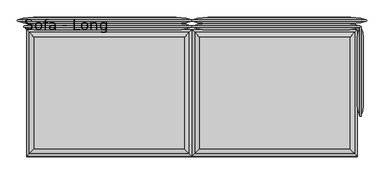
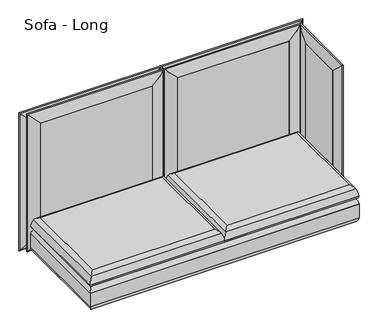
"""IFC4 building model written with IfcOpenShell, lengths in millimetres: furniture geometry, Sofa - Long."""

from ifc_helpers import new_model, si_unit, frame, origin, place, context, project, spatial, polyline, ellipse_curve, outline, extrude, source, transform, mapped, element, save
from ifc_brep_helpers import plane_surface, cylinder_surface, advanced_brep


def sofa_long_e9d8bf94(model_context):
    return source(origin(), model_context, "Body", "SolidModel", [
        advanced_brep(
        [(1016.0, -403.225, 329.9006118), (1016.0, 352.425, 329.9006118), (-1016.0, 352.425, 329.9006118), (-1016.0, -403.225, 329.9006118), (1016.0, 352.425, 142.5756118), (1016.0, -403.225, 142.5756118), (-1016.0, -403.225, 142.5756118), (-1016.0, 352.425, 142.5756118), (1035.0361528, 371.4611528, 291.910987), (1035.0361528, -422.2611528, 291.910987), (1035.05, 371.475, 181.4038342), (1035.05, 371.475, 291.0723894), (1035.05, -422.275, 291.0723894), (1035.05, -422.275, 181.4038342), (1035.0361528, 371.4611528, 180.5652366), (1035.0361528, -422.2611528, 180.5652366), (-1035.0361528, -422.2611528, 291.910987), (-1035.05, -422.275, 291.0723894), (-1035.05, -422.275, 181.4038342), (-1035.0361528, -422.2611528, 180.5652366), (-1035.0361528, 371.4611528, 291.910987), (-1035.05, 371.475, 291.0723894), (-1035.05, 371.475, 181.4038342), (-1035.0361528, 371.4611528, 180.5652366)],
        [
            (0, 1),
            (1, 2),
            (2, 3),
            (3, 0),
            (4, 5),
            (5, 6),
            (6, 7),
            (7, 4),
            (8, 1, ellipse_curve(frame((984.2638472, 320.6888472, 290.2337918), z_axis=(0.7071067811865475, -0.7071067811865475, 0.0), x_axis=(0.7071067811865474, 0.7071067811865476, 0.0)), 71.842049, 50.8)),
            (0, 9, ellipse_curve(frame((984.2638472, -371.4888472, 290.2337918), z_axis=(0.7071067811865475, 0.7071067811865475, 0.0), x_axis=(-0.7071067811865474, 0.7071067811865476, 0.0)), 71.842049, 50.8)),
            (9, 8),
            (10, 11),
            (11, 12),
            (12, 13),
            (13, 10),
            (4, 14, ellipse_curve(frame((984.2638472, 320.6888472, 182.2424317), z_axis=(0.7071067811865475, -0.7071067811865475, 0.0), x_axis=(0.7071067811865474, 0.7071067811865476, 0.0)), 71.842049, 50.8)),
            (14, 15),
            (15, 5, ellipse_curve(frame((984.2638472, -371.4888472, 182.2424317), z_axis=(0.7071067811865475, 0.7071067811865475, 0.0), x_axis=(-0.7071067811865474, 0.7071067811865476, 0.0)), 71.842049, 50.8)),
            (3, 16, ellipse_curve(frame((-984.2638472, -371.4888472, 290.2337918), z_axis=(0.7071067811865475, -0.7071067811865475, 0.0), x_axis=(0.7071067811865476, 0.7071067811865474, 0.0)), 71.842049, 50.8)),
            (16, 9),
            (12, 17),
            (17, 18),
            (18, 13),
            (15, 19),
            (19, 6, ellipse_curve(frame((-984.2638472, -371.4888472, 182.2424317), z_axis=(0.7071067811865475, -0.7071067811865475, 0.0), x_axis=(0.7071067811865476, 0.7071067811865474, 0.0)), 71.842049, 50.8)),
            (2, 20, ellipse_curve(frame((-984.2638472, 320.6888472, 290.2337918), z_axis=(-0.7071067811865475, -0.7071067811865475, 0.0), x_axis=(0.7071067811865474, -0.7071067811865476, 0.0)), 71.842049, 50.8)),
            (20, 16),
            (17, 21),
            (21, 22),
            (22, 18),
            (19, 23),
            (23, 7, ellipse_curve(frame((-984.2638472, 320.6888472, 182.2424317), z_axis=(-0.7071067811865475, -0.7071067811865475, 0.0), x_axis=(0.7071067811865474, -0.7071067811865476, 0.0)), 71.842049, 50.8)),
            (8, 20),
            (10, 22),
            (21, 11),
            (23, 14),
            (9, 12, ellipse_curve(frame((1009.65, -396.875, 291.0723894), z_axis=(0.7071067811865475, 0.7071067811865475, 0.0), x_axis=(-0.7071067811865474, 0.7071067811865476, 0.0)), 35.9210245, 25.4)),
            (11, 8, ellipse_curve(frame((1009.65, 346.075, 291.0723894), z_axis=(0.7071067811865475, -0.7071067811865475, 0.0), x_axis=(0.7071067811865474, 0.7071067811865476, 0.0)), 35.9210245, 25.4)),
            (13, 15, ellipse_curve(frame((1009.65, -396.875, 181.4038342), z_axis=(0.7071067811865475, 0.7071067811865475, 0.0), x_axis=(-0.7071067811865474, 0.7071067811865476, 0.0)), 35.9210245, 25.4)),
            (14, 10, ellipse_curve(frame((1009.65, 346.075, 181.4038342), z_axis=(0.7071067811865475, -0.7071067811865475, 0.0), x_axis=(0.7071067811865474, 0.7071067811865476, 0.0)), 35.9210245, 25.4)),
            (16, 17, ellipse_curve(frame((-1009.65, -396.875, 291.0723894), z_axis=(0.7071067811865475, -0.7071067811865475, 0.0), x_axis=(0.7071067811865476, 0.7071067811865474, 0.0)), 35.9210245, 25.4)),
            (18, 19, ellipse_curve(frame((-1009.65, -396.875, 181.4038342), z_axis=(0.7071067811865475, -0.7071067811865475, 0.0), x_axis=(0.7071067811865476, 0.7071067811865474, 0.0)), 35.9210245, 25.4)),
            (20, 21, ellipse_curve(frame((-1009.65, 346.075, 291.0723894), z_axis=(-0.7071067811865475, -0.7071067811865475, 0.0), x_axis=(0.7071067811865474, -0.7071067811865476, 0.0)), 35.9210245, 25.4)),
            (22, 23, ellipse_curve(frame((-1009.65, 346.075, 181.4038342), z_axis=(-0.7071067811865475, -0.7071067811865475, 0.0), x_axis=(0.7071067811865474, -0.7071067811865476, 0.0)), 35.9210245, 25.4)),
        ],
        [
            plane_surface(frame((-1016.0, 352.425, 329.9006118), z_axis=(0.0, 0.0, 1.0), x_axis=(-1.0, 0.0, 0.0))),
            plane_surface(frame((-1016.0, 352.425, 142.5756118), z_axis=(0.0, 0.0, -1.0), x_axis=(1.0, 0.0, 0.0))),
            cylinder_surface(frame((984.2638472, 371.475, 290.2337918), z_axis=(0.0, 1.0, 0.0), x_axis=(1.0, 0.0, 0.0)), 50.8),
            plane_surface(frame((1035.05, 371.475, 291.0723894), z_axis=(1.0, 0.0, 0.0), x_axis=(0.0, -1.0, 0.0))),
            cylinder_surface(frame((984.2638472, 371.475, 182.2424317), z_axis=(0.0, 1.0, 0.0), x_axis=(1.0, 0.0, 0.0)), 50.8),
            cylinder_surface(frame((1035.05, -371.4888472, 290.2337918), z_axis=(1.0, 0.0, 0.0), x_axis=(0.0, -1.0, 0.0)), 50.8),
            plane_surface(frame((1035.05, -422.275, 291.0723894), z_axis=(0.0, -1.0, 0.0), x_axis=(-1.0, 0.0, 0.0))),
            cylinder_surface(frame((1035.05, -371.4888472, 182.2424317), z_axis=(1.0, 0.0, 0.0), x_axis=(0.0, -1.0, 0.0)), 50.8),
            cylinder_surface(frame((-984.2638472, -422.275, 290.2337918), z_axis=(0.0, -1.0, 0.0), x_axis=(-1.0, 0.0, 0.0)), 50.8),
            plane_surface(frame((-1035.05, -422.275, 291.0723894), z_axis=(-1.0, 0.0, 0.0), x_axis=(0.0, 1.0, 0.0))),
            cylinder_surface(frame((-984.2638472, -422.275, 182.2424317), z_axis=(0.0, -1.0, 0.0), x_axis=(-1.0, 0.0, 0.0)), 50.8),
            cylinder_surface(frame((-1035.05, 320.6888472, 290.2337918), z_axis=(-1.0, 0.0, 0.0), x_axis=(0.0, 1.0, 0.0)), 50.8),
            plane_surface(frame((-1035.05, 371.475, 291.0723894), z_axis=(0.0, 1.0, 0.0), x_axis=(1.0, 0.0, 0.0))),
            cylinder_surface(frame((-1035.05, 320.6888472, 182.2424317), z_axis=(-1.0, 0.0, 0.0), x_axis=(0.0, 1.0, 0.0)), 50.8),
            cylinder_surface(frame((1009.65, 371.475, 291.0723894), z_axis=(0.0, 1.0, 0.0), x_axis=(1.0, 0.0, 0.0)), 25.4),
            cylinder_surface(frame((1009.65, 371.475, 181.4038342), z_axis=(0.0, 1.0, 0.0), x_axis=(1.0, 0.0, 0.0)), 25.4),
            cylinder_surface(frame((1035.05, -396.875, 291.0723894), z_axis=(1.0, 0.0, 0.0), x_axis=(0.0, -1.0, 0.0)), 25.4),
            cylinder_surface(frame((1035.05, -396.875, 181.4038342), z_axis=(1.0, 0.0, 0.0), x_axis=(0.0, -1.0, 0.0)), 25.4),
            cylinder_surface(frame((-1009.65, -422.275, 291.0723894), z_axis=(0.0, -1.0, 0.0), x_axis=(-1.0, 0.0, 0.0)), 25.4),
            cylinder_surface(frame((-1009.65, -422.275, 181.4038342), z_axis=(0.0, -1.0, 0.0), x_axis=(-1.0, 0.0, 0.0)), 25.4),
            cylinder_surface(frame((-1035.05, 346.075, 291.0723894), z_axis=(-1.0, 0.0, 0.0), x_axis=(0.0, 1.0, 0.0)), 25.4),
            cylinder_surface(frame((-1035.05, 346.075, 181.4038342), z_axis=(-1.0, 0.0, 0.0), x_axis=(0.0, 1.0, 0.0)), 25.4),
        ],
        [
            (0, [[1, 2, 3, 4]]),
            (1, [[5, 6, 7, 8]]),
            (2, [[9, -1, 10, 11]]),
            (3, [[12, 13, 14, 15]]),
            (4, [[16, 17, 18, -5]]),
            (5, [[-10, -4, 19, 20]]),
            (6, [[-14, 21, 22, 23]]),
            (7, [[-18, 24, 25, -6]]),
            (8, [[-19, -3, 26, 27]]),
            (9, [[-22, 28, 29, 30]]),
            (10, [[-25, 31, 32, -7]]),
            (11, [[-9, 33, -26, -2]]),
            (12, [[-12, 34, -29, 35]]),
            (13, [[-16, -8, -32, 36]]),
            (14, [[-11, 37, -13, 38]]),
            (15, [[-15, 39, -17, 40]]),
            (16, [[-20, 41, -21, -37]]),
            (17, [[-23, 42, -24, -39]]),
            (18, [[-27, 43, -28, -41]]),
            (19, [[-30, 44, -31, -42]]),
            (20, [[-33, -38, -35, -43]]),
            (21, [[-34, -40, -36, -44]]),
        ],
    ),
        advanced_brep(
        [(1008.5381705, -395.7631705, 330.2), (26.5118295, -395.7631705, 330.2), (26.5118295, 344.9631705, 330.2), (1008.5381705, 344.9631705, 330.2), (1033.9361903, 370.3611903, 355.9171647), (1033.9361903, -421.1611903, 355.9171647), (1.1138097, -421.1611903, 355.9171647), (1.1138097, 370.3611903, 355.9171647), (987.425, -374.65, 434.975), (987.425, 323.85, 434.975), (47.625, 323.85, 434.975), (47.625, -374.65, 434.975), (1018.6816677, 355.1066677, 412.0276231), (1018.6816677, -405.9066677, 412.0276231), (16.3683323, -405.9066677, 412.0276231), (16.3683323, 355.1066677, 412.0276231)],
        [
            (0, 1),
            (1, 2),
            (2, 3),
            (3, 0),
            (3, 4, ellipse_curve(frame((1008.5381705, 344.9631705, 355.6), z_axis=(0.7071067811865478, -0.7071067811865471, 0.0), x_axis=(0.707106781186547, 0.707106781186548, 0.0)), 35.9210245, 25.4)),
            (4, 5),
            (5, 0, ellipse_curve(frame((1008.5381705, -395.7631705, 355.6), z_axis=(0.7071067811865471, 0.7071067811865478, 0.0), x_axis=(-0.7071067811865476, 0.7071067811865474, 0.0)), 35.9210245, 25.4)),
            (5, 6),
            (6, 1, ellipse_curve(frame((26.5118295, -395.7631705, 355.6), z_axis=(0.7071067811865478, -0.7071067811865471, 0.0), x_axis=(0.7071067811865474, 0.7071067811865476, 0.0)), 35.9210245, 25.4)),
            (6, 7),
            (7, 2, ellipse_curve(frame((26.5118295, 344.9631705, 355.6), z_axis=(-0.7071067811865471, -0.7071067811865478, 0.0), x_axis=(0.7071067811865476, -0.7071067811865474, 0.0)), 35.9210245, 25.4)),
            (7, 4),
            (8, 9),
            (9, 10),
            (10, 11),
            (11, 8),
            (12, 9, ellipse_curve(frame((977.2981381, 313.7231381, 388.4201083), z_axis=(0.7071067811865478, -0.7071067811865471, 0.0), x_axis=(0.707106781186547, 0.707106781186548, 0.0)), 67.3782053, 47.6435859)),
            (8, 13, ellipse_curve(frame((977.2981381, -364.5231381, 388.4201083), z_axis=(0.7071067811865471, 0.7071067811865478, 0.0), x_axis=(-0.7071067811865476, 0.7071067811865474, 0.0)), 67.3782053, 47.6435859)),
            (13, 12),
            (4, 12, ellipse_curve(frame((917.7782966, 254.2032966, 354.4666114), z_axis=(0.7071067811865478, -0.7071067811865471, 0.0), x_axis=(0.707106781186547, 0.707106781186548, 0.0)), 164.2848767, 116.1669504)),
            (13, 5, ellipse_curve(frame((917.7782966, -305.0032966, 354.4666114), z_axis=(0.7071067811865471, 0.7071067811865478, 0.0), x_axis=(-0.7071067811865476, 0.7071067811865474, 0.0)), 164.2848767, 116.1669504)),
            (11, 14, ellipse_curve(frame((57.7518619, -364.5231381, 388.4201083), z_axis=(0.7071067811865478, -0.7071067811865471, 0.0), x_axis=(0.7071067811865474, 0.7071067811865476, 0.0)), 67.3782053, 47.6435859)),
            (14, 13),
            (14, 6, ellipse_curve(frame((117.2717034, -305.0032966, 354.4666114), z_axis=(0.7071067811865478, -0.7071067811865471, 0.0), x_axis=(0.7071067811865474, 0.7071067811865476, 0.0)), 164.2848767, 116.1669504)),
            (10, 15, ellipse_curve(frame((57.7518619, 313.7231381, 388.4201083), z_axis=(-0.7071067811865471, -0.7071067811865478, 0.0), x_axis=(0.7071067811865476, -0.7071067811865474, 0.0)), 67.3782053, 47.6435859)),
            (15, 14),
            (15, 7, ellipse_curve(frame((117.2717034, 254.2032966, 354.4666114), z_axis=(-0.7071067811865471, -0.7071067811865478, 0.0), x_axis=(0.7071067811865476, -0.7071067811865474, 0.0)), 164.2848767, 116.1669504)),
            (12, 15),
        ],
        [
            plane_surface(frame((26.5118295, 344.9631705, 330.2), z_axis=(0.0, 0.0, -1.0), x_axis=(1.0, 0.0, 0.0))),
            cylinder_surface(frame((1008.5381705, 371.475, 355.6), z_axis=(0.0, 1.0000000000000002, 0.0), x_axis=(1.0000000000000002, 0.0, 0.0)), 25.4),
            cylinder_surface(frame((1035.05, -395.7631705, 355.6), z_axis=(1.0000000000000002, 0.0, 0.0), x_axis=(0.0, -1.0000000000000002, 0.0)), 25.4),
            cylinder_surface(frame((26.5118295, -422.275, 355.6), z_axis=(0.0, -1.0000000000000002, 0.0), x_axis=(-1.0000000000000002, 0.0, 0.0)), 25.4),
            cylinder_surface(frame((0.0, 344.9631705, 355.6), z_axis=(-1.0000000000000002, 0.0, 0.0), x_axis=(0.0, 1.0000000000000002, 0.0)), 25.4),
            plane_surface(frame((47.625, 323.85, 434.975), z_axis=(0.0, 0.0, 1.0), x_axis=(-1.0, 0.0, 0.0))),
            cylinder_surface(frame((977.2981381, 371.475, 388.4201083), z_axis=(0.0, 1.0000000000000002, 0.0), x_axis=(1.0000000000000002, 0.0, 0.0)), 47.6435859),
            cylinder_surface(frame((917.7782966, 371.475, 354.4666114), z_axis=(0.0, 1.0000000000000002, 0.0), x_axis=(1.0000000000000002, 0.0, 0.0)), 116.1669504),
            cylinder_surface(frame((1035.05, -364.5231381, 388.4201083), z_axis=(1.0000000000000002, 0.0, 0.0), x_axis=(0.0, -1.0000000000000002, 0.0)), 47.6435859),
            cylinder_surface(frame((1035.05, -305.0032966, 354.4666114), z_axis=(1.0000000000000002, 0.0, 0.0), x_axis=(0.0, -1.0000000000000002, 0.0)), 116.1669504),
            cylinder_surface(frame((57.7518619, -422.275, 388.4201083), z_axis=(0.0, -1.0000000000000002, 0.0), x_axis=(-1.0000000000000002, 0.0, 0.0)), 47.6435859),
            cylinder_surface(frame((117.2717034, -422.275, 354.4666114), z_axis=(0.0, -1.0000000000000002, 0.0), x_axis=(-1.0000000000000002, 0.0, 0.0)), 116.1669504),
            cylinder_surface(frame((0.0, 313.7231381, 388.4201083), z_axis=(-1.0000000000000002, 0.0, 0.0), x_axis=(0.0, 1.0000000000000002, 0.0)), 47.6435859),
            cylinder_surface(frame((0.0, 254.2032966, 354.4666114), z_axis=(-1.0000000000000002, 0.0, 0.0), x_axis=(0.0, 1.0000000000000002, 0.0)), 116.1669504),
        ],
        [
            (0, [[1, 2, 3, 4]]),
            (1, [[-4, 5, 6, 7]]),
            (2, [[-1, -7, 8, 9]]),
            (3, [[-2, -9, 10, 11]]),
            (4, [[-3, -11, 12, -5]]),
            (5, [[13, 14, 15, 16]]),
            (6, [[17, -13, 18, 19]]),
            (7, [[-6, 20, -19, 21]]),
            (8, [[-18, -16, 22, 23]]),
            (9, [[-8, -21, -23, 24]]),
            (10, [[-22, -15, 25, 26]]),
            (11, [[-10, -24, -26, 27]]),
            (12, [[-17, 28, -25, -14]]),
            (13, [[-12, -27, -28, -20]]),
        ],
    ),
        advanced_brep(
        [(-26.5118295, -395.7631705, 330.2), (-1008.5381705, -395.7631705, 330.2), (-1008.5381705, 344.9631705, 330.2), (-26.5118295, 344.9631705, 330.2), (-1.1138097, 370.3611903, 355.9171647), (-1.1138097, -421.1611903, 355.9171647), (-1033.9361903, -421.1611903, 355.9171647), (-1033.9361903, 370.3611903, 355.9171647), (-47.625, -374.65, 434.975), (-47.625, 323.85, 434.975), (-987.425, 323.85, 434.975), (-987.425, -374.65, 434.975), (-16.3683323, 355.1066677, 412.0276231), (-16.3683323, -405.9066677, 412.0276231), (-1018.6816677, -405.9066677, 412.0276231), (-1018.6816677, 355.1066677, 412.0276231)],
        [
            (0, 1),
            (1, 2),
            (2, 3),
            (3, 0),
            (3, 4, ellipse_curve(frame((-26.5118295, 344.9631705, 355.6), z_axis=(0.7071067811865478, -0.7071067811865471, 0.0), x_axis=(0.707106781186547, 0.707106781186548, 0.0)), 35.9210245, 25.4)),
            (4, 5),
            (5, 0, ellipse_curve(frame((-26.5118295, -395.7631705, 355.6), z_axis=(0.7071067811865471, 0.7071067811865478, 0.0), x_axis=(-0.7071067811865476, 0.7071067811865474, 0.0)), 35.9210245, 25.4)),
            (5, 6),
            (6, 1, ellipse_curve(frame((-1008.5381705, -395.7631705, 355.6), z_axis=(0.7071067811865478, -0.7071067811865471, 0.0), x_axis=(0.7071067811865474, 0.7071067811865476, 0.0)), 35.9210245, 25.4)),
            (6, 7),
            (7, 2, ellipse_curve(frame((-1008.5381705, 344.9631705, 355.6), z_axis=(-0.7071067811865471, -0.7071067811865478, 0.0), x_axis=(0.7071067811865476, -0.7071067811865474, 0.0)), 35.9210245, 25.4)),
            (7, 4),
            (8, 9),
            (9, 10),
            (10, 11),
            (11, 8),
            (12, 9, ellipse_curve(frame((-57.7518619, 313.7231381, 388.4201083), z_axis=(0.7071067811865478, -0.7071067811865471, 0.0), x_axis=(0.707106781186547, 0.707106781186548, 0.0)), 67.3782053, 47.6435859)),
            (8, 13, ellipse_curve(frame((-57.7518619, -364.5231381, 388.4201083), z_axis=(0.7071067811865471, 0.7071067811865478, 0.0), x_axis=(-0.7071067811865476, 0.7071067811865474, 0.0)), 67.3782053, 47.6435859)),
            (13, 12),
            (4, 12, ellipse_curve(frame((-117.2717034, 254.2032966, 354.4666114), z_axis=(0.7071067811865478, -0.7071067811865471, 0.0), x_axis=(0.707106781186547, 0.707106781186548, 0.0)), 164.2848767, 116.1669504)),
            (13, 5, ellipse_curve(frame((-117.2717034, -305.0032966, 354.4666114), z_axis=(0.7071067811865471, 0.7071067811865478, 0.0), x_axis=(-0.7071067811865476, 0.7071067811865474, 0.0)), 164.2848767, 116.1669504)),
            (11, 14, ellipse_curve(frame((-977.2981381, -364.5231381, 388.4201083), z_axis=(0.7071067811865478, -0.7071067811865471, 0.0), x_axis=(0.7071067811865474, 0.7071067811865476, 0.0)), 67.3782053, 47.6435859)),
            (14, 13),
            (14, 6, ellipse_curve(frame((-917.7782966, -305.0032966, 354.4666114), z_axis=(0.7071067811865478, -0.7071067811865471, 0.0), x_axis=(0.7071067811865474, 0.7071067811865476, 0.0)), 164.2848767, 116.1669504)),
            (10, 15, ellipse_curve(frame((-977.2981381, 313.7231381, 388.4201083), z_axis=(-0.7071067811865471, -0.7071067811865478, 0.0), x_axis=(0.7071067811865476, -0.7071067811865474, 0.0)), 67.3782053, 47.6435859)),
            (15, 14),
            (15, 7, ellipse_curve(frame((-917.7782966, 254.2032966, 354.4666114), z_axis=(-0.7071067811865471, -0.7071067811865478, 0.0), x_axis=(0.7071067811865476, -0.7071067811865474, 0.0)), 164.2848767, 116.1669504)),
            (12, 15),
        ],
        [
            plane_surface(frame((-1008.5381705, 344.9631705, 330.2), z_axis=(0.0, 0.0, -1.0), x_axis=(1.0, 0.0, 0.0))),
            cylinder_surface(frame((-26.5118295, 371.475, 355.6), z_axis=(0.0, 1.0000000000000002, 0.0), x_axis=(1.0000000000000002, 0.0, 0.0)), 25.4),
            cylinder_surface(frame((0.0, -395.7631705, 355.6), z_axis=(1.0000000000000002, 0.0, 0.0), x_axis=(0.0, -1.0000000000000002, 0.0)), 25.4),
            cylinder_surface(frame((-1008.5381705, -422.275, 355.6), z_axis=(0.0, -1.0000000000000002, 0.0), x_axis=(-1.0000000000000002, 0.0, 0.0)), 25.4),
            cylinder_surface(frame((-1035.05, 344.9631705, 355.6), z_axis=(-1.0000000000000002, 0.0, 0.0), x_axis=(0.0, 1.0000000000000002, 0.0)), 25.4),
            plane_surface(frame((-987.425, 323.85, 434.975), z_axis=(0.0, 0.0, 1.0), x_axis=(-1.0, 0.0, 0.0))),
            cylinder_surface(frame((-57.7518619, 371.475, 388.4201083), z_axis=(0.0, 1.0000000000000002, 0.0), x_axis=(1.0000000000000002, 0.0, 0.0)), 47.6435859),
            cylinder_surface(frame((-117.2717034, 371.475, 354.4666114), z_axis=(0.0, 1.0000000000000002, 0.0), x_axis=(1.0000000000000002, 0.0, 0.0)), 116.1669504),
            cylinder_surface(frame((0.0, -364.5231381, 388.4201083), z_axis=(1.0000000000000002, 0.0, 0.0), x_axis=(0.0, -1.0000000000000002, 0.0)), 47.6435859),
            cylinder_surface(frame((0.0, -305.0032966, 354.4666114), z_axis=(1.0000000000000002, 0.0, 0.0), x_axis=(0.0, -1.0000000000000002, 0.0)), 116.1669504),
            cylinder_surface(frame((-977.2981381, -422.275, 388.4201083), z_axis=(0.0, -1.0000000000000002, 0.0), x_axis=(-1.0000000000000002, 0.0, 0.0)), 47.6435859),
            cylinder_surface(frame((-917.7782966, -422.275, 354.4666114), z_axis=(0.0, -1.0000000000000002, 0.0), x_axis=(-1.0000000000000002, 0.0, 0.0)), 116.1669504),
            cylinder_surface(frame((-1035.05, 313.7231381, 388.4201083), z_axis=(-1.0000000000000002, 0.0, 0.0), x_axis=(0.0, 1.0000000000000002, 0.0)), 47.6435859),
            cylinder_surface(frame((-1035.05, 254.2032966, 354.4666114), z_axis=(-1.0000000000000002, 0.0, 0.0), x_axis=(0.0, 1.0000000000000002, 0.0)), 116.1669504),
        ],
        [
            (0, [[1, 2, 3, 4]]),
            (1, [[-4, 5, 6, 7]]),
            (2, [[-1, -7, 8, 9]]),
            (3, [[-2, -9, 10, 11]]),
            (4, [[-3, -11, 12, -5]]),
            (5, [[13, 14, 15, 16]]),
            (6, [[17, -13, 18, 19]]),
            (7, [[-6, 20, -19, 21]]),
            (8, [[-18, -16, 22, 23]]),
            (9, [[-8, -21, -23, 24]]),
            (10, [[-22, -15, 25, 26]]),
            (11, [[-10, -24, -26, 27]]),
            (12, [[-17, 28, -25, -14]]),
            (13, [[-12, -27, -28, -20]]),
        ],
    ),
        advanced_brep(
        [(98.425, 410.5220019, 1163.5628297), (5.2936683, 425.266915, 1256.6941614), (5.2936683, 425.266915, 145.8277373), (98.425, 410.5220019, 238.959069), (98.425, 446.7279981, 1163.5628297), (98.425, 446.7279981, 238.959069), (5.2936683, 431.983085, 1256.6941614), (5.2936683, 431.983085, 145.8277373), (1086.9063317, 425.266915, 145.8277373), (993.775, 410.5220019, 238.959069), (993.775, 446.7279981, 238.959069), (1086.9063317, 431.983085, 145.8277373), (1086.9063317, 425.266915, 1256.6941614), (993.775, 410.5220019, 1163.5628297), (993.775, 446.7279981, 1163.5628297), (1086.9063317, 431.983085, 1256.6941614)],
        [
            (0, 1, ellipse_curve(frame((79.7282714, 593.9193158, 1182.2595584), z_axis=(-0.7071067811865475, 0.0, -0.7071067811865475), x_axis=(-0.7071067811865474, 0.0, 0.7071067811865476)), 260.707278, 184.3478842)),
            (1, 2),
            (2, 3, ellipse_curve(frame((79.7282714, 593.9193158, 220.2623404), z_axis=(-0.7071067811865475, 0.0, 0.7071067811865475), x_axis=(0.7071067811865474, 0.0, 0.7071067811865476)), 260.707278, 184.3478842)),
            (3, 0),
            (4, 0),
            (3, 5),
            (5, 4),
            (6, 4, ellipse_curve(frame((79.7282714, 263.3306842, 1182.2595584), z_axis=(-0.7071067811865475, 0.0, -0.7071067811865475), x_axis=(-0.7071067811865474, 0.0, 0.7071067811865476)), 260.707278, 184.3478842)),
            (5, 7, ellipse_curve(frame((79.7282714, 263.3306842, 220.2623404), z_axis=(-0.7071067811865475, 0.0, 0.7071067811865475), x_axis=(0.7071067811865474, 0.0, 0.7071067811865476)), 260.707278, 184.3478842)),
            (7, 6),
            (1, 6, ellipse_curve(frame((3.6755545, 428.625, 1258.3122753), z_axis=(-0.7071067811865475, 0.0, -0.7071067811865475), x_axis=(-0.7071067811865474, 0.0, 0.7071067811865476)), 5.2716273, 3.7276034)),
            (7, 2, ellipse_curve(frame((3.6755545, 428.625, 144.2096235), z_axis=(-0.7071067811865475, 0.0, 0.7071067811865475), x_axis=(0.7071067811865474, 0.0, 0.7071067811865476)), 5.2716273, 3.7276034)),
            (2, 8),
            (8, 9, ellipse_curve(frame((1012.4717286, 593.9193158, 220.2623404), z_axis=(-0.7071067811865475, 0.0, -0.7071067811865475), x_axis=(-0.7071067811865476, 0.0, 0.7071067811865474)), 260.707278, 184.3478842)),
            (9, 3),
            (9, 10),
            (10, 5),
            (10, 11, ellipse_curve(frame((1012.4717286, 263.3306842, 220.2623404), z_axis=(-0.7071067811865475, 0.0, -0.7071067811865475), x_axis=(-0.7071067811865476, 0.0, 0.7071067811865474)), 260.707278, 184.3478842)),
            (11, 7),
            (11, 8, ellipse_curve(frame((1088.5244455, 428.625, 144.2096235), z_axis=(-0.7071067811865475, 0.0, -0.7071067811865475), x_axis=(-0.7071067811865476, 0.0, 0.7071067811865474)), 5.2716273, 3.7276034)),
            (8, 12),
            (12, 13, ellipse_curve(frame((1012.4717286, 593.9193158, 1182.2595584), z_axis=(0.7071067811865475, 0.0, -0.7071067811865475), x_axis=(-0.7071067811865474, 0.0, -0.7071067811865476)), 260.707278, 184.3478842)),
            (13, 9),
            (13, 14),
            (14, 10),
            (14, 15, ellipse_curve(frame((1012.4717286, 263.3306842, 1182.2595584), z_axis=(0.7071067811865475, 0.0, -0.7071067811865475), x_axis=(-0.7071067811865474, 0.0, -0.7071067811865476)), 260.707278, 184.3478842)),
            (15, 11),
            (15, 12, ellipse_curve(frame((1088.5244455, 428.625, 1258.3122753), z_axis=(0.7071067811865475, 0.0, -0.7071067811865475), x_axis=(-0.7071067811865474, 0.0, -0.7071067811865476)), 5.2716273, 3.7276034)),
            (12, 1),
            (0, 13),
            (4, 14),
            (6, 15),
        ],
        [
            cylinder_surface(frame((79.7282714, 593.9193158, 1163.5628297), z_axis=(0.0, 0.0, 1.0), x_axis=(0.0, -1.0000000000000002, 0.0)), 184.3478842),
            plane_surface(frame((98.425, 410.5220019, 1163.5628297), z_axis=(1.0, 0.0, 0.0), x_axis=(0.0, 0.0, -1.0))),
            cylinder_surface(frame((79.7282714, 263.3306842, 1163.5628297), z_axis=(0.0, 0.0, 1.0), x_axis=(0.0, -1.0000000000000002, 0.0)), 184.3478842),
            cylinder_surface(frame((3.6755545, 428.625, 1163.5628297), z_axis=(0.0, 0.0, 1.0), x_axis=(0.0, -1.0000000000000002, 0.0)), 3.7276034),
            cylinder_surface(frame((98.425, 593.9193158, 220.2623404), z_axis=(-1.0000000000000002, 0.0, 0.0), x_axis=(0.0, -1.0000000000000002, 0.0)), 184.3478842),
            plane_surface(frame((98.425, 410.5220019, 238.959069), z_axis=(0.0, 0.0, 1.0), x_axis=(1.0, 0.0, 0.0))),
            cylinder_surface(frame((98.425, 263.3306842, 220.2623404), z_axis=(-1.0000000000000002, 0.0, 0.0), x_axis=(0.0, -1.0000000000000002, 0.0)), 184.3478842),
            cylinder_surface(frame((98.425, 428.625, 144.2096235), z_axis=(-1.0000000000000002, 0.0, 0.0), x_axis=(0.0, -1.0000000000000002, 0.0)), 3.7276034),
            cylinder_surface(frame((1012.4717286, 593.9193158, 238.959069), z_axis=(0.0, 0.0, -1.0), x_axis=(0.0, -1.0000000000000002, 0.0)), 184.3478842),
            plane_surface(frame((993.775, 410.5220019, 238.959069), z_axis=(-1.0, 0.0, 0.0), x_axis=(0.0, 0.0, 1.0))),
            cylinder_surface(frame((1012.4717286, 263.3306842, 238.959069), z_axis=(0.0, 0.0, -1.0), x_axis=(0.0, -1.0000000000000002, 0.0)), 184.3478842),
            cylinder_surface(frame((1088.5244455, 428.625, 238.959069), z_axis=(0.0, 0.0, -1.0), x_axis=(0.0, -1.0000000000000002, 0.0)), 3.7276034),
            cylinder_surface(frame((993.775, 593.9193158, 1182.2595584), z_axis=(1.0000000000000002, 0.0, 0.0), x_axis=(0.0, -1.0000000000000002, 0.0)), 184.3478842),
            plane_surface(frame((993.775, 410.5220019, 1163.5628297), z_axis=(0.0, 0.0, -1.0), x_axis=(-1.0, 0.0, 0.0))),
            cylinder_surface(frame((993.775, 263.3306842, 1182.2595584), z_axis=(1.0000000000000002, 0.0, 0.0), x_axis=(0.0, -1.0000000000000002, 0.0)), 184.3478842),
            cylinder_surface(frame((993.775, 428.625, 1258.3122753), z_axis=(1.0000000000000002, 0.0, 0.0), x_axis=(0.0, -1.0000000000000002, 0.0)), 3.7276034),
        ],
        [
            (0, [[1, 2, 3, 4]]),
            (1, [[5, -4, 6, 7]]),
            (2, [[8, -7, 9, 10]]),
            (3, [[11, -10, 12, -2]]),
            (4, [[-3, 13, 14, 15]]),
            (5, [[-6, -15, 16, 17]]),
            (6, [[-9, -17, 18, 19]]),
            (7, [[-12, -19, 20, -13]]),
            (8, [[-14, 21, 22, 23]]),
            (9, [[-16, -23, 24, 25]]),
            (10, [[-18, -25, 26, 27]]),
            (11, [[-20, -27, 28, -21]]),
            (12, [[-22, 29, -1, 30]]),
            (13, [[-24, -30, -5, 31]]),
            (14, [[-26, -31, -8, 32]]),
            (15, [[-28, -32, -11, -29]]),
        ],
    ),
        extrude(outline(polyline([(993.775, 447.675), (993.775, 409.575), (98.425, 409.575), (98.425, 447.675), (993.775, 447.675)])), frame((0.0, 0.0, 238.959069), z_axis=(0.0, 0.0, 1.0), x_axis=(1.0, 0.0, 0.0)), (0.0, 0.0, 1.0), 924.6037607),
        advanced_brep(
        [(98.425, 372.4220019, 1163.5628297), (5.2936683, 387.166915, 1256.6941614), (5.2936683, 387.166915, 145.8277373), (98.425, 372.4220019, 238.959069), (98.425, 408.6279981, 1163.5628297), (98.425, 408.6279981, 238.959069), (5.2936683, 393.883085, 1256.6941614), (5.2936683, 393.883085, 145.8277373), (1048.8063317, 387.166915, 145.8277373), (955.675, 372.4220019, 238.959069), (955.675, 408.6279981, 238.959069), (1048.8063317, 393.883085, 145.8277373), (1048.8063317, 387.166915, 1256.6941614), (955.675, 372.4220019, 1163.5628297), (955.675, 408.6279981, 1163.5628297), (1048.8063317, 393.883085, 1256.6941614)],
        [
            (0, 1, ellipse_curve(frame((79.7282714, 555.8193158, 1182.2595584), z_axis=(-0.7071067811865475, 0.0, -0.7071067811865475), x_axis=(-0.7071067811865474, 0.0, 0.7071067811865476)), 260.707278, 184.3478842)),
            (1, 2),
            (2, 3, ellipse_curve(frame((79.7282714, 555.8193158, 220.2623404), z_axis=(-0.7071067811865475, 0.0, 0.7071067811865475), x_axis=(0.7071067811865474, 0.0, 0.7071067811865476)), 260.707278, 184.3478842)),
            (3, 0),
            (4, 0),
            (3, 5),
            (5, 4),
            (6, 4, ellipse_curve(frame((79.7282714, 225.2306842, 1182.2595584), z_axis=(-0.7071067811865475, 0.0, -0.7071067811865475), x_axis=(-0.7071067811865474, 0.0, 0.7071067811865476)), 260.707278, 184.3478842)),
            (5, 7, ellipse_curve(frame((79.7282714, 225.2306842, 220.2623404), z_axis=(-0.7071067811865475, 0.0, 0.7071067811865475), x_axis=(0.7071067811865474, 0.0, 0.7071067811865476)), 260.707278, 184.3478842)),
            (7, 6),
            (1, 6, ellipse_curve(frame((3.6755545, 390.525, 1258.3122753), z_axis=(-0.7071067811865475, 0.0, -0.7071067811865475), x_axis=(-0.7071067811865474, 0.0, 0.7071067811865476)), 5.2716273, 3.7276034)),
            (7, 2, ellipse_curve(frame((3.6755545, 390.525, 144.2096235), z_axis=(-0.7071067811865475, 0.0, 0.7071067811865475), x_axis=(0.7071067811865474, 0.0, 0.7071067811865476)), 5.2716273, 3.7276034)),
            (2, 8),
            (8, 9, ellipse_curve(frame((974.3717286, 555.8193158, 220.2623404), z_axis=(-0.7071067811865475, 0.0, -0.7071067811865475), x_axis=(-0.7071067811865476, 0.0, 0.7071067811865474)), 260.707278, 184.3478842)),
            (9, 3),
            (9, 10),
            (10, 5),
            (10, 11, ellipse_curve(frame((974.3717286, 225.2306842, 220.2623404), z_axis=(-0.7071067811865475, 0.0, -0.7071067811865475), x_axis=(-0.7071067811865476, 0.0, 0.7071067811865474)), 260.707278, 184.3478842)),
            (11, 7),
            (11, 8, ellipse_curve(frame((1050.4244455, 390.525, 144.2096235), z_axis=(-0.7071067811865475, 0.0, -0.7071067811865475), x_axis=(-0.7071067811865476, 0.0, 0.7071067811865474)), 5.2716273, 3.7276034)),
            (8, 12),
            (12, 13, ellipse_curve(frame((974.3717286, 555.8193158, 1182.2595584), z_axis=(0.7071067811865475, 0.0, -0.7071067811865475), x_axis=(-0.7071067811865474, 0.0, -0.7071067811865476)), 260.707278, 184.3478842)),
            (13, 9),
            (13, 14),
            (14, 10),
            (14, 15, ellipse_curve(frame((974.3717286, 225.2306842, 1182.2595584), z_axis=(0.7071067811865475, 0.0, -0.7071067811865475), x_axis=(-0.7071067811865474, 0.0, -0.7071067811865476)), 260.707278, 184.3478842)),
            (15, 11),
            (15, 12, ellipse_curve(frame((1050.4244455, 390.525, 1258.3122753), z_axis=(0.7071067811865475, 0.0, -0.7071067811865475), x_axis=(-0.7071067811865474, 0.0, -0.7071067811865476)), 5.2716273, 3.7276034)),
            (12, 1),
            (0, 13),
            (4, 14),
            (6, 15),
        ],
        [
            cylinder_surface(frame((79.7282714, 555.8193158, 1163.5628297), z_axis=(0.0, 0.0, 1.0), x_axis=(0.0, -1.0000000000000002, 0.0)), 184.3478842),
            plane_surface(frame((98.425, 372.4220019, 1163.5628297), z_axis=(1.0, 0.0, 0.0), x_axis=(0.0, 0.0, -1.0))),
            cylinder_surface(frame((79.7282714, 225.2306842, 1163.5628297), z_axis=(0.0, 0.0, 1.0), x_axis=(0.0, -1.0000000000000002, 0.0)), 184.3478842),
            cylinder_surface(frame((3.6755545, 390.525, 1163.5628297), z_axis=(0.0, 0.0, 1.0), x_axis=(0.0, -1.0000000000000002, 0.0)), 3.7276034),
            cylinder_surface(frame((98.425, 555.8193158, 220.2623404), z_axis=(-1.0000000000000002, 0.0, 0.0), x_axis=(0.0, -1.0000000000000002, 0.0)), 184.3478842),
            plane_surface(frame((98.425, 372.4220019, 238.959069), z_axis=(0.0, 0.0, 1.0), x_axis=(1.0, 0.0, 0.0))),
            cylinder_surface(frame((98.425, 225.2306842, 220.2623404), z_axis=(-1.0000000000000002, 0.0, 0.0), x_axis=(0.0, -1.0000000000000002, 0.0)), 184.3478842),
            cylinder_surface(frame((98.425, 390.525, 144.2096235), z_axis=(-1.0000000000000002, 0.0, 0.0), x_axis=(0.0, -1.0000000000000002, 0.0)), 3.7276034),
            cylinder_surface(frame((974.3717286, 555.8193158, 238.959069), z_axis=(0.0, 0.0, -1.0), x_axis=(0.0, -1.0000000000000002, 0.0)), 184.3478842),
            plane_surface(frame((955.675, 372.4220019, 238.959069), z_axis=(-1.0, 0.0, 0.0), x_axis=(0.0, 0.0, 1.0))),
            cylinder_surface(frame((974.3717286, 225.2306842, 238.959069), z_axis=(0.0, 0.0, -1.0), x_axis=(0.0, -1.0000000000000002, 0.0)), 184.3478842),
            cylinder_surface(frame((1050.4244455, 390.525, 238.959069), z_axis=(0.0, 0.0, -1.0), x_axis=(0.0, -1.0000000000000002, 0.0)), 3.7276034),
            cylinder_surface(frame((955.675, 555.8193158, 1182.2595584), z_axis=(1.0000000000000002, 0.0, 0.0), x_axis=(0.0, -1.0000000000000002, 0.0)), 184.3478842),
            plane_surface(frame((955.675, 372.4220019, 1163.5628297), z_axis=(0.0, 0.0, -1.0), x_axis=(-1.0, 0.0, 0.0))),
            cylinder_surface(frame((955.675, 225.2306842, 1182.2595584), z_axis=(1.0000000000000002, 0.0, 0.0), x_axis=(0.0, -1.0000000000000002, 0.0)), 184.3478842),
            cylinder_surface(frame((955.675, 390.525, 1258.3122753), z_axis=(1.0000000000000002, 0.0, 0.0), x_axis=(0.0, -1.0000000000000002, 0.0)), 3.7276034),
        ],
        [
            (0, [[1, 2, 3, 4]]),
            (1, [[5, -4, 6, 7]]),
            (2, [[8, -7, 9, 10]]),
            (3, [[11, -10, 12, -2]]),
            (4, [[-3, 13, 14, 15]]),
            (5, [[-6, -15, 16, 17]]),
            (6, [[-9, -17, 18, 19]]),
            (7, [[-12, -19, 20, -13]]),
            (8, [[-14, 21, 22, 23]]),
            (9, [[-16, -23, 24, 25]]),
            (10, [[-18, -25, 26, 27]]),
            (11, [[-20, -27, 28, -21]]),
            (12, [[-22, 29, -1, 30]]),
            (13, [[-24, -30, -5, 31]]),
            (14, [[-26, -31, -8, 32]]),
            (15, [[-28, -32, -11, -29]]),
        ],
    ),
        extrude(outline(polyline([(955.675, 409.575), (955.675, 371.475), (98.425, 371.475), (98.425, 409.575), (955.675, 409.575)])), frame((0.0, 0.0, 238.959069), z_axis=(0.0, 0.0, 1.0), x_axis=(1.0, 0.0, 0.0)), (0.0, 0.0, 1.0), 924.6037607),
        advanced_brep(
        [(-993.775, 410.5220019, 1163.5628297), (-1086.9063317, 425.266915, 1256.6941614), (-1086.9063317, 425.266915, 145.8277373), (-993.775, 410.5220019, 238.959069), (-993.775, 446.7279981, 1163.5628297), (-993.775, 446.7279981, 238.959069), (-1086.9063317, 431.983085, 1256.6941614), (-1086.9063317, 431.983085, 145.8277373), (-5.2936683, 425.266915, 145.8277373), (-98.425, 410.5220019, 238.959069), (-98.425, 446.7279981, 238.959069), (-5.2936683, 431.983085, 145.8277373), (-5.2936683, 425.266915, 1256.6941614), (-98.425, 410.5220019, 1163.5628297), (-98.425, 446.7279981, 1163.5628297), (-5.2936683, 431.983085, 1256.6941614)],
        [
            (0, 1, ellipse_curve(frame((-1012.4717286, 593.9193158, 1182.2595584), z_axis=(-0.7071067811865475, 0.0, -0.7071067811865475), x_axis=(-0.7071067811865474, 0.0, 0.7071067811865476)), 260.707278, 184.3478842)),
            (1, 2),
            (2, 3, ellipse_curve(frame((-1012.4717286, 593.9193158, 220.2623404), z_axis=(-0.7071067811865475, 0.0, 0.7071067811865475), x_axis=(0.7071067811865474, 0.0, 0.7071067811865476)), 260.707278, 184.3478842)),
            (3, 0),
            (4, 0),
            (3, 5),
            (5, 4),
            (6, 4, ellipse_curve(frame((-1012.4717286, 263.3306842, 1182.2595584), z_axis=(-0.7071067811865475, 0.0, -0.7071067811865475), x_axis=(-0.7071067811865474, 0.0, 0.7071067811865476)), 260.707278, 184.3478842)),
            (5, 7, ellipse_curve(frame((-1012.4717286, 263.3306842, 220.2623404), z_axis=(-0.7071067811865475, 0.0, 0.7071067811865475), x_axis=(0.7071067811865474, 0.0, 0.7071067811865476)), 260.707278, 184.3478842)),
            (7, 6),
            (1, 6, ellipse_curve(frame((-1088.5244455, 428.625, 1258.3122753), z_axis=(-0.7071067811865475, 0.0, -0.7071067811865475), x_axis=(-0.7071067811865474, 0.0, 0.7071067811865476)), 5.2716273, 3.7276034)),
            (7, 2, ellipse_curve(frame((-1088.5244455, 428.625, 144.2096235), z_axis=(-0.7071067811865475, 0.0, 0.7071067811865475), x_axis=(0.7071067811865474, 0.0, 0.7071067811865476)), 5.2716273, 3.7276034)),
            (2, 8),
            (8, 9, ellipse_curve(frame((-79.7282714, 593.9193158, 220.2623404), z_axis=(-0.7071067811865475, 0.0, -0.7071067811865475), x_axis=(-0.7071067811865476, 0.0, 0.7071067811865474)), 260.707278, 184.3478842)),
            (9, 3),
            (9, 10),
            (10, 5),
            (10, 11, ellipse_curve(frame((-79.7282714, 263.3306842, 220.2623404), z_axis=(-0.7071067811865475, 0.0, -0.7071067811865475), x_axis=(-0.7071067811865476, 0.0, 0.7071067811865474)), 260.707278, 184.3478842)),
            (11, 7),
            (11, 8, ellipse_curve(frame((-3.6755545, 428.625, 144.2096235), z_axis=(-0.7071067811865475, 0.0, -0.7071067811865475), x_axis=(-0.7071067811865476, 0.0, 0.7071067811865474)), 5.2716273, 3.7276034)),
            (8, 12),
            (12, 13, ellipse_curve(frame((-79.7282714, 593.9193158, 1182.2595584), z_axis=(0.7071067811865475, 0.0, -0.7071067811865475), x_axis=(-0.7071067811865474, 0.0, -0.7071067811865476)), 260.707278, 184.3478842)),
            (13, 9),
            (13, 14),
            (14, 10),
            (14, 15, ellipse_curve(frame((-79.7282714, 263.3306842, 1182.2595584), z_axis=(0.7071067811865475, 0.0, -0.7071067811865475), x_axis=(-0.7071067811865474, 0.0, -0.7071067811865476)), 260.707278, 184.3478842)),
            (15, 11),
            (15, 12, ellipse_curve(frame((-3.6755545, 428.625, 1258.3122753), z_axis=(0.7071067811865475, 0.0, -0.7071067811865475), x_axis=(-0.7071067811865474, 0.0, -0.7071067811865476)), 5.2716273, 3.7276034)),
            (12, 1),
            (0, 13),
            (4, 14),
            (6, 15),
        ],
        [
            cylinder_surface(frame((-1012.4717286, 593.9193158, 1163.5628297), z_axis=(0.0, 0.0, 1.0), x_axis=(0.0, -1.0000000000000002, 0.0)), 184.3478842),
            plane_surface(frame((-993.775, 410.5220019, 1163.5628297), z_axis=(1.0, 0.0, 0.0), x_axis=(0.0, 0.0, -1.0))),
            cylinder_surface(frame((-1012.4717286, 263.3306842, 1163.5628297), z_axis=(0.0, 0.0, 1.0), x_axis=(0.0, -1.0000000000000002, 0.0)), 184.3478842),
            cylinder_surface(frame((-1088.5244455, 428.625, 1163.5628297), z_axis=(0.0, 0.0, 1.0), x_axis=(0.0, -1.0000000000000002, 0.0)), 3.7276034),
            cylinder_surface(frame((-993.775, 593.9193158, 220.2623404), z_axis=(-1.0000000000000002, 0.0, 0.0), x_axis=(0.0, -1.0000000000000002, 0.0)), 184.3478842),
            plane_surface(frame((-993.775, 410.5220019, 238.959069), z_axis=(0.0, 0.0, 1.0), x_axis=(1.0, 0.0, 0.0))),
            cylinder_surface(frame((-993.775, 263.3306842, 220.2623404), z_axis=(-1.0000000000000002, 0.0, 0.0), x_axis=(0.0, -1.0000000000000002, 0.0)), 184.3478842),
            cylinder_surface(frame((-993.775, 428.625, 144.2096235), z_axis=(-1.0000000000000002, 0.0, 0.0), x_axis=(0.0, -1.0000000000000002, 0.0)), 3.7276034),
            cylinder_surface(frame((-79.7282714, 593.9193158, 238.959069), z_axis=(0.0, 0.0, -1.0), x_axis=(0.0, -1.0000000000000002, 0.0)), 184.3478842),
            plane_surface(frame((-98.425, 410.5220019, 238.959069), z_axis=(-1.0, 0.0, 0.0), x_axis=(0.0, 0.0, 1.0))),
            cylinder_surface(frame((-79.7282714, 263.3306842, 238.959069), z_axis=(0.0, 0.0, -1.0), x_axis=(0.0, -1.0000000000000002, 0.0)), 184.3478842),
            cylinder_surface(frame((-3.6755545, 428.625, 238.959069), z_axis=(0.0, 0.0, -1.0), x_axis=(0.0, -1.0000000000000002, 0.0)), 3.7276034),
            cylinder_surface(frame((-98.425, 593.9193158, 1182.2595584), z_axis=(1.0000000000000002, 0.0, 0.0), x_axis=(0.0, -1.0000000000000002, 0.0)), 184.3478842),
            plane_surface(frame((-98.425, 410.5220019, 1163.5628297), z_axis=(0.0, 0.0, -1.0), x_axis=(-1.0, 0.0, 0.0))),
            cylinder_surface(frame((-98.425, 263.3306842, 1182.2595584), z_axis=(1.0000000000000002, 0.0, 0.0), x_axis=(0.0, -1.0000000000000002, 0.0)), 184.3478842),
            cylinder_surface(frame((-98.425, 428.625, 1258.3122753), z_axis=(1.0000000000000002, 0.0, 0.0), x_axis=(0.0, -1.0000000000000002, 0.0)), 3.7276034),
        ],
        [
            (0, [[1, 2, 3, 4]]),
            (1, [[5, -4, 6, 7]]),
            (2, [[8, -7, 9, 10]]),
            (3, [[11, -10, 12, -2]]),
            (4, [[-3, 13, 14, 15]]),
            (5, [[-6, -15, 16, 17]]),
            (6, [[-9, -17, 18, 19]]),
            (7, [[-12, -19, 20, -13]]),
            (8, [[-14, 21, 22, 23]]),
            (9, [[-16, -23, 24, 25]]),
            (10, [[-18, -25, 26, 27]]),
            (11, [[-20, -27, 28, -21]]),
            (12, [[-22, 29, -1, 30]]),
            (13, [[-24, -30, -5, 31]]),
            (14, [[-26, -31, -8, 32]]),
            (15, [[-28, -32, -11, -29]]),
        ],
    ),
        extrude(outline(polyline([(-98.425, 447.675), (-98.425, 409.575), (-993.775, 409.575), (-993.775, 447.675), (-98.425, 447.675)])), frame((0.0, 0.0, 238.959069), z_axis=(0.0, 0.0, 1.0), x_axis=(1.0, 0.0, 0.0)), (0.0, 0.0, 1.0), 924.6037607),
        advanced_brep(
        [(-955.675, 372.4220019, 1163.5628297), (-1048.8063317, 387.166915, 1256.6941614), (-1048.8063317, 387.166915, 145.8277373), (-955.675, 372.4220019, 238.959069), (-955.675, 408.6279981, 1163.5628297), (-955.675, 408.6279981, 238.959069), (-1048.8063317, 393.883085, 1256.6941614), (-1048.8063317, 393.883085, 145.8277373), (-5.2936683, 387.166915, 145.8277373), (-98.425, 372.4220019, 238.959069), (-98.425, 408.6279981, 238.959069), (-5.2936683, 393.883085, 145.8277373), (-5.2936683, 387.166915, 1256.6941614), (-98.425, 372.4220019, 1163.5628297), (-98.425, 408.6279981, 1163.5628297), (-5.2936683, 393.883085, 1256.6941614)],
        [
            (0, 1, ellipse_curve(frame((-974.3717286, 555.8193158, 1182.2595584), z_axis=(-0.7071067811865475, 0.0, -0.7071067811865475), x_axis=(-0.7071067811865474, 0.0, 0.7071067811865476)), 260.707278, 184.3478842)),
            (1, 2),
            (2, 3, ellipse_curve(frame((-974.3717286, 555.8193158, 220.2623404), z_axis=(-0.7071067811865475, 0.0, 0.7071067811865475), x_axis=(0.7071067811865474, 0.0, 0.7071067811865476)), 260.707278, 184.3478842)),
            (3, 0),
            (4, 0),
            (3, 5),
            (5, 4),
            (6, 4, ellipse_curve(frame((-974.3717286, 225.2306842, 1182.2595584), z_axis=(-0.7071067811865475, 0.0, -0.7071067811865475), x_axis=(-0.7071067811865474, 0.0, 0.7071067811865476)), 260.707278, 184.3478842)),
            (5, 7, ellipse_curve(frame((-974.3717286, 225.2306842, 220.2623404), z_axis=(-0.7071067811865475, 0.0, 0.7071067811865475), x_axis=(0.7071067811865474, 0.0, 0.7071067811865476)), 260.707278, 184.3478842)),
            (7, 6),
            (1, 6, ellipse_curve(frame((-1050.4244455, 390.525, 1258.3122753), z_axis=(-0.7071067811865475, 0.0, -0.7071067811865475), x_axis=(-0.7071067811865474, 0.0, 0.7071067811865476)), 5.2716273, 3.7276034)),
            (7, 2, ellipse_curve(frame((-1050.4244455, 390.525, 144.2096235), z_axis=(-0.7071067811865475, 0.0, 0.7071067811865475), x_axis=(0.7071067811865474, 0.0, 0.7071067811865476)), 5.2716273, 3.7276034)),
            (2, 8),
            (8, 9, ellipse_curve(frame((-79.7282714, 555.8193158, 220.2623404), z_axis=(-0.7071067811865475, 0.0, -0.7071067811865475), x_axis=(-0.7071067811865476, 0.0, 0.7071067811865474)), 260.707278, 184.3478842)),
            (9, 3),
            (9, 10),
            (10, 5),
            (10, 11, ellipse_curve(frame((-79.7282714, 225.2306842, 220.2623404), z_axis=(-0.7071067811865475, 0.0, -0.7071067811865475), x_axis=(-0.7071067811865476, 0.0, 0.7071067811865474)), 260.707278, 184.3478842)),
            (11, 7),
            (11, 8, ellipse_curve(frame((-3.6755545, 390.525, 144.2096235), z_axis=(-0.7071067811865475, 0.0, -0.7071067811865475), x_axis=(-0.7071067811865476, 0.0, 0.7071067811865474)), 5.2716273, 3.7276034)),
            (8, 12),
            (12, 13, ellipse_curve(frame((-79.7282714, 555.8193158, 1182.2595584), z_axis=(0.7071067811865475, 0.0, -0.7071067811865475), x_axis=(-0.7071067811865474, 0.0, -0.7071067811865476)), 260.707278, 184.3478842)),
            (13, 9),
            (13, 14),
            (14, 10),
            (14, 15, ellipse_curve(frame((-79.7282714, 225.2306842, 1182.2595584), z_axis=(0.7071067811865475, 0.0, -0.7071067811865475), x_axis=(-0.7071067811865474, 0.0, -0.7071067811865476)), 260.707278, 184.3478842)),
            (15, 11),
            (15, 12, ellipse_curve(frame((-3.6755545, 390.525, 1258.3122753), z_axis=(0.7071067811865475, 0.0, -0.7071067811865475), x_axis=(-0.7071067811865474, 0.0, -0.7071067811865476)), 5.2716273, 3.7276034)),
            (12, 1),
            (0, 13),
            (4, 14),
            (6, 15),
        ],
        [
            cylinder_surface(frame((-974.3717286, 555.8193158, 1163.5628297), z_axis=(0.0, 0.0, 1.0), x_axis=(0.0, -1.0000000000000002, 0.0)), 184.3478842),
            plane_surface(frame((-955.675, 372.4220019, 1163.5628297), z_axis=(1.0, 0.0, 0.0), x_axis=(0.0, 0.0, -1.0))),
            cylinder_surface(frame((-974.3717286, 225.2306842, 1163.5628297), z_axis=(0.0, 0.0, 1.0), x_axis=(0.0, -1.0000000000000002, 0.0)), 184.3478842),
            cylinder_surface(frame((-1050.4244455, 390.525, 1163.5628297), z_axis=(0.0, 0.0, 1.0), x_axis=(0.0, -1.0000000000000002, 0.0)), 3.7276034),
            cylinder_surface(frame((-955.675, 555.8193158, 220.2623404), z_axis=(-1.0000000000000002, 0.0, 0.0), x_axis=(0.0, -1.0000000000000002, 0.0)), 184.3478842),
            plane_surface(frame((-955.675, 372.4220019, 238.959069), z_axis=(0.0, 0.0, 1.0), x_axis=(1.0, 0.0, 0.0))),
            cylinder_surface(frame((-955.675, 225.2306842, 220.2623404), z_axis=(-1.0000000000000002, 0.0, 0.0), x_axis=(0.0, -1.0000000000000002, 0.0)), 184.3478842),
            cylinder_surface(frame((-955.675, 390.525, 144.2096235), z_axis=(-1.0000000000000002, 0.0, 0.0), x_axis=(0.0, -1.0000000000000002, 0.0)), 3.7276034),
            cylinder_surface(frame((-79.7282714, 555.8193158, 238.959069), z_axis=(0.0, 0.0, -1.0), x_axis=(0.0, -1.0000000000000002, 0.0)), 184.3478842),
            plane_surface(frame((-98.425, 372.4220019, 238.959069), z_axis=(-1.0, 0.0, 0.0), x_axis=(0.0, 0.0, 1.0))),
            cylinder_surface(frame((-79.7282714, 225.2306842, 238.959069), z_axis=(0.0, 0.0, -1.0), x_axis=(0.0, -1.0000000000000002, 0.0)), 184.3478842),
            cylinder_surface(frame((-3.6755545, 390.525, 238.959069), z_axis=(0.0, 0.0, -1.0), x_axis=(0.0, -1.0000000000000002, 0.0)), 3.7276034),
            cylinder_surface(frame((-98.425, 555.8193158, 1182.2595584), z_axis=(1.0000000000000002, 0.0, 0.0), x_axis=(0.0, -1.0000000000000002, 0.0)), 184.3478842),
            plane_surface(frame((-98.425, 372.4220019, 1163.5628297), z_axis=(0.0, 0.0, -1.0), x_axis=(-1.0, 0.0, 0.0))),
            cylinder_surface(frame((-98.425, 225.2306842, 1182.2595584), z_axis=(1.0000000000000002, 0.0, 0.0), x_axis=(0.0, -1.0000000000000002, 0.0)), 184.3478842),
            cylinder_surface(frame((-98.425, 390.525, 1258.3122753), z_axis=(1.0000000000000002, 0.0, 0.0), x_axis=(0.0, -1.0000000000000002, 0.0)), 3.7276034),
        ],
        [
            (0, [[1, 2, 3, 4]]),
            (1, [[5, -4, 6, 7]]),
            (2, [[8, -7, 9, 10]]),
            (3, [[11, -10, 12, -2]]),
            (4, [[-3, 13, 14, 15]]),
            (5, [[-6, -15, 16, 17]]),
            (6, [[-9, -17, 18, 19]]),
            (7, [[-12, -19, 20, -13]]),
            (8, [[-14, 21, 22, 23]]),
            (9, [[-16, -23, 24, 25]]),
            (10, [[-18, -25, 26, 27]]),
            (11, [[-20, -27, 28, -21]]),
            (12, [[-22, 29, -1, 30]]),
            (13, [[-24, -30, -5, 31]]),
            (14, [[-26, -31, -8, 32]]),
            (15, [[-28, -32, -11, -29]]),
        ],
    ),
        extrude(outline(polyline([(-98.425, 409.575), (-98.425, 371.475), (-955.675, 371.475), (-955.675, 409.575), (-98.425, 409.575)])), frame((0.0, 0.0, 238.959069), z_axis=(0.0, 0.0, 1.0), x_axis=(1.0, 0.0, 0.0)), (0.0, 0.0, 1.0), 924.6037607),
        advanced_brep(
        [(1035.9970019, -73.025, 1163.5628297), (1035.9970019, -73.025, 238.959069), (1050.741915, -166.1563317, 145.8277373), (1050.741915, -166.1563317, 1256.6941614), (1072.2029981, -73.025, 1163.5628297), (1072.2029981, -73.025, 238.959069), (1057.458085, -166.1563317, 1256.6941614), (1057.458085, -166.1563317, 145.8277373), (1035.9970019, 292.1, 238.959069), (1050.741915, 385.2313317, 145.8277373), (1072.2029981, 292.1, 238.959069), (1057.458085, 385.2313317, 145.8277373), (1035.9970019, 292.1, 1163.5628297), (1050.741915, 385.2313317, 1256.6941614), (1072.2029981, 292.1, 1163.5628297), (1057.458085, 385.2313317, 1256.6941614)],
        [
            (0, 1),
            (1, 2, ellipse_curve(frame((1219.3943158, -91.7217286, 220.2623404), z_axis=(0.0, -0.7071067811865475, 0.7071067811865475), x_axis=(0.0, 0.7071067811865474, 0.7071067811865476)), 260.707278, 184.3478842)),
            (2, 3),
            (3, 0, ellipse_curve(frame((1219.3943158, -91.7217286, 1182.2595584), z_axis=(0.0, -0.7071067811865475, -0.7071067811865475), x_axis=(0.0, -0.7071067811865474, 0.7071067811865476)), 260.707278, 184.3478842)),
            (4, 5),
            (5, 1),
            (0, 4),
            (6, 7),
            (7, 5, ellipse_curve(frame((888.8056842, -91.7217286, 220.2623404), z_axis=(0.0, -0.7071067811865475, 0.7071067811865475), x_axis=(0.0, 0.7071067811865474, 0.7071067811865476)), 260.707278, 184.3478842)),
            (4, 6, ellipse_curve(frame((888.8056842, -91.7217286, 1182.2595584), z_axis=(0.0, -0.7071067811865475, -0.7071067811865475), x_axis=(0.0, -0.7071067811865474, 0.7071067811865476)), 260.707278, 184.3478842)),
            (2, 7, ellipse_curve(frame((1054.1, -167.7744455, 144.2096235), z_axis=(0.0, -0.7071067811865475, 0.7071067811865475), x_axis=(0.0, 0.7071067811865474, 0.7071067811865476)), 5.2716273, 3.7276034)),
            (6, 3, ellipse_curve(frame((1054.1, -167.7744455, 1258.3122753), z_axis=(0.0, -0.7071067811865475, -0.7071067811865475), x_axis=(0.0, -0.7071067811865474, 0.7071067811865476)), 5.2716273, 3.7276034)),
            (1, 8),
            (8, 9, ellipse_curve(frame((1219.3943158, 310.7967286, 220.2623404), z_axis=(0.0, -0.7071067811865475, -0.7071067811865475), x_axis=(0.0, -0.7071067811865476, 0.7071067811865474)), 260.707278, 184.3478842)),
            (9, 2),
            (5, 10),
            (10, 8),
            (7, 11),
            (11, 10, ellipse_curve(frame((888.8056842, 310.7967286, 220.2623404), z_axis=(0.0, -0.7071067811865475, -0.7071067811865475), x_axis=(0.0, -0.7071067811865476, 0.7071067811865474)), 260.707278, 184.3478842)),
            (9, 11, ellipse_curve(frame((1054.1, 386.8494455, 144.2096235), z_axis=(0.0, -0.7071067811865475, -0.7071067811865475), x_axis=(0.0, -0.7071067811865476, 0.7071067811865474)), 5.2716273, 3.7276034)),
            (8, 12),
            (12, 13, ellipse_curve(frame((1219.3943158, 310.7967286, 1182.2595584), z_axis=(0.0, 0.7071067811865475, -0.7071067811865475), x_axis=(0.0, -0.7071067811865474, -0.7071067811865476)), 260.707278, 184.3478842)),
            (13, 9),
            (10, 14),
            (14, 12),
            (11, 15),
            (15, 14, ellipse_curve(frame((888.8056842, 310.7967286, 1182.2595584), z_axis=(0.0, 0.7071067811865475, -0.7071067811865475), x_axis=(0.0, -0.7071067811865474, -0.7071067811865476)), 260.707278, 184.3478842)),
            (13, 15, ellipse_curve(frame((1054.1, 386.8494455, 1258.3122753), z_axis=(0.0, 0.7071067811865475, -0.7071067811865475), x_axis=(0.0, -0.7071067811865474, -0.7071067811865476)), 5.2716273, 3.7276034)),
            (12, 0),
            (3, 13),
            (14, 4),
            (15, 6),
        ],
        [
            cylinder_surface(frame((1219.3943158, -91.7217286, 1163.5628297), z_axis=(0.0, 0.0, 1.0), x_axis=(-1.0000000000000002, 0.0, 0.0)), 184.3478842),
            plane_surface(frame((1035.9970019, -73.025, 1163.5628297), z_axis=(0.0, 1.0, 0.0), x_axis=(0.0, 0.0, -1.0))),
            cylinder_surface(frame((888.8056842, -91.7217286, 1163.5628297), z_axis=(0.0, 0.0, 1.0), x_axis=(-1.0000000000000002, 0.0, 0.0)), 184.3478842),
            cylinder_surface(frame((1054.1, -167.7744455, 1163.5628297), z_axis=(0.0, 0.0, 1.0), x_axis=(-1.0000000000000002, 0.0, 0.0)), 3.7276034),
            cylinder_surface(frame((1219.3943158, -73.025, 220.2623404), z_axis=(0.0, -1.0000000000000002, 0.0), x_axis=(-1.0000000000000002, 0.0, 0.0)), 184.3478842),
            plane_surface(frame((1035.9970019, -73.025, 238.959069), z_axis=(0.0, 0.0, 1.0), x_axis=(0.0, 1.0, 0.0))),
            cylinder_surface(frame((888.8056842, -73.025, 220.2623404), z_axis=(0.0, -1.0000000000000002, 0.0), x_axis=(-1.0000000000000002, 0.0, 0.0)), 184.3478842),
            cylinder_surface(frame((1054.1, -73.025, 144.2096235), z_axis=(0.0, -1.0000000000000002, 0.0), x_axis=(-1.0000000000000002, 0.0, 0.0)), 3.7276034),
            cylinder_surface(frame((1219.3943158, 310.7967286, 238.959069), z_axis=(0.0, 0.0, -1.0), x_axis=(-1.0000000000000002, 0.0, 0.0)), 184.3478842),
            plane_surface(frame((1035.9970019, 292.1, 238.959069), z_axis=(0.0, -1.0, 0.0), x_axis=(0.0, 0.0, 1.0))),
            cylinder_surface(frame((888.8056842, 310.7967286, 238.959069), z_axis=(0.0, 0.0, -1.0), x_axis=(-1.0000000000000002, 0.0, 0.0)), 184.3478842),
            cylinder_surface(frame((1054.1, 386.8494455, 238.959069), z_axis=(0.0, 0.0, -1.0), x_axis=(-1.0000000000000002, 0.0, 0.0)), 3.7276034),
            cylinder_surface(frame((1219.3943158, 292.1, 1182.2595584), z_axis=(0.0, 1.0000000000000002, 0.0), x_axis=(-1.0000000000000002, 0.0, 0.0)), 184.3478842),
            plane_surface(frame((1035.9970019, 292.1, 1163.5628297), z_axis=(0.0, 0.0, -1.0), x_axis=(0.0, -1.0, 0.0))),
            cylinder_surface(frame((888.8056842, 292.1, 1182.2595584), z_axis=(0.0, 1.0000000000000002, 0.0), x_axis=(-1.0000000000000002, 0.0, 0.0)), 184.3478842),
            cylinder_surface(frame((1054.1, 292.1, 1258.3122753), z_axis=(0.0, 1.0000000000000002, 0.0), x_axis=(-1.0000000000000002, 0.0, 0.0)), 3.7276034),
        ],
        [
            (0, [[1, 2, 3, 4]]),
            (1, [[5, 6, -1, 7]]),
            (2, [[8, 9, -5, 10]]),
            (3, [[-3, 11, -8, 12]]),
            (4, [[13, 14, 15, -2]]),
            (5, [[16, 17, -13, -6]]),
            (6, [[18, 19, -16, -9]]),
            (7, [[-15, 20, -18, -11]]),
            (8, [[21, 22, 23, -14]]),
            (9, [[24, 25, -21, -17]]),
            (10, [[26, 27, -24, -19]]),
            (11, [[-23, 28, -26, -20]]),
            (12, [[29, -4, 30, -22]]),
            (13, [[31, -7, -29, -25]]),
            (14, [[32, -10, -31, -27]]),
            (15, [[-30, -12, -32, -28]]),
        ],
    ),
        extrude(outline(polyline([(1073.15, 292.1), (1073.15, -73.025), (1035.05, -73.025), (1035.05, 292.1), (1073.15, 292.1)])), frame((0.0, 0.0, 238.959069), z_axis=(0.0, 0.0, 1.0), x_axis=(1.0, 0.0, 0.0)), (0.0, 0.0, 1.0), 924.6037607),
    ])


if __name__ == "__main__":
    model = new_model("IFC4")
    model_context = context("Model", 3, world=origin())
    ifc_project = project(units=[si_unit("LENGTHUNIT", "METRE", prefix="MILLI")], contexts=[model_context])
    site = spatial("IfcSite", under=ifc_project)
    building = spatial("IfcBuilding", under=site)
    placement = place(None, origin())
    sofa_long_shape = sofa_long_e9d8bf94(model_context)
    element("IfcFurniture", 1, ObjectType="Sofa - Long", at=placement, inside=building, context=model_context, shape_type="MappedRepresentation", body=[
        mapped(sofa_long_shape, transform((0.0, 0.0, 0.0), x_axis=(1.0, 0.0, 0.0), y_axis=(0.0, 1.0, 0.0), z_axis=(0.0, 0.0, 1.0))),
    ])
    save(model, "model.ifc")
